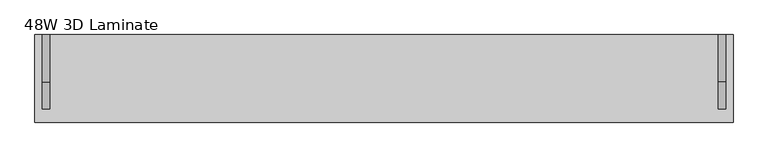
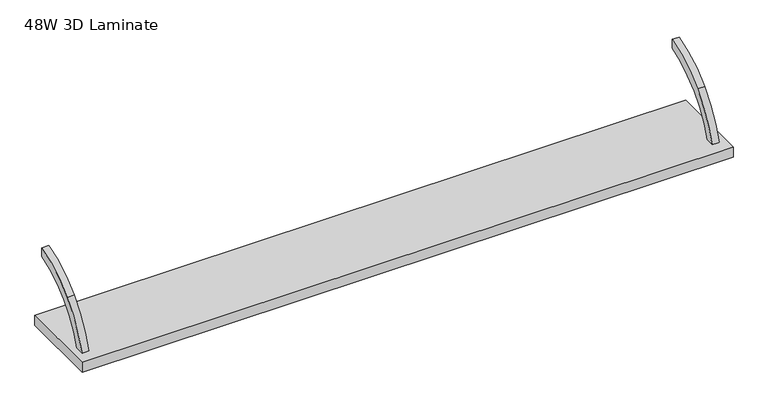
"""IFC4 building model written with IfcOpenShell, lengths in millimetres: furniture geometry, 48W 3D Laminate."""

from ifc_helpers import new_model, si_unit, point, frame, frame_2d, origin, place, context, project, spatial, polyline, circle_curve, trimmed, segment, composite_curve, outline, extrude, source, transform, mapped, element, save


def furniture_48w_3d_laminate_5c4585dd(model_context):
    return source(origin(), model_context, "Body", "SweptSolid", [
        extrude(outline(composite_curve([segment(polyline([(-21.75256, 952.5284219), (-21.75256, 935.9425934)]), True, "CONTINUOUS"), segment(trimmed(circle_curve(frame_2d((31.2350706, 766.6677638)), 177.3743412), [point((-21.75256, 935.9425934))], [point((-91.5649658, 894.659201))], True, "CARTESIAN"), True, "CONTINUOUS"), segment(trimmed(circle_curve(frame_2d((14.1297346, 784.496232)), 152.6671197), [point((-91.5649658, 894.659201))], [point((-132.8646554, 825.72606))], True, "CARTESIAN"), True, "CONTINUOUS"), segment(polyline([(-132.8646554, 825.72606), (-149.4341867, 825.72606)]), True, "CONTINUOUS"), segment(trimmed(circle_curve(frame_2d((41.312225, 768.914927)), 199.0268786), [point((-149.4341867, 825.72606))], [point((-102.9422911, 906.0365263))], False, "CARTESIAN"), True, "CONTINUOUS"), segment(trimmed(circle_curve(frame_2d((15.3556483, 793.5880354)), 163.2147835), [point((-102.9422911, 906.0365263))], [point((-21.75256, 952.5284219))], False, "CARTESIAN"), True, "CONTINUOUS")], self_intersect=False)), frame((590.2663384, 0.0, 0.0), z_axis=(1.0, 0.0, 0.0), x_axis=(0.0, 1.0, 0.0)), (0.0, 0.0, 1.0), 12.7),
        extrude(outline(composite_curve([segment(trimmed(circle_curve(frame_2d((15.3556483, 793.5880354)), 163.2147835), [point((-102.9422911, 906.0365263))], [point((-21.75256, 952.5284219))], False, "CARTESIAN"), True, "CONTINUOUS"), segment(polyline([(-21.75256, 952.5284219), (-21.75256, 935.9425934)]), True, "CONTINUOUS"), segment(trimmed(circle_curve(frame_2d((31.2350706, 766.6677638)), 177.3743412), [point((-21.75256, 935.9425934))], [point((-91.5649658, 894.659201))], True, "CARTESIAN"), True, "CONTINUOUS"), segment(trimmed(circle_curve(frame_2d((14.1297346, 784.496232)), 152.6671197), [point((-91.5649658, 894.659201))], [point((-132.8646554, 825.72606))], True, "CARTESIAN"), True, "CONTINUOUS"), segment(polyline([(-132.8646554, 825.72606), (-149.4341867, 825.72606)]), True, "CONTINUOUS"), segment(trimmed(circle_curve(frame_2d((41.312225, 768.914927)), 199.0268786), [point((-149.4341867, 825.72606))], [point((-102.9422911, 906.0365263))], False, "CARTESIAN"), True, "CONTINUOUS")], self_intersect=False)), frame((-565.4909286, 0.0, 0.0), z_axis=(1.0, 0.0, 0.0), x_axis=(0.0, 1.0, 0.0)), (0.0, 0.0, 1.0), 12.7),
        extrude(outline(polyline([(615.6377049, -21.75256), (615.6377049, -171.5728725), (-578.1622951, -171.5728725), (-578.1622951, -21.75256), (615.6377049, -21.75256)])), frame((0.0, 0.0, 806.6768594), z_axis=(0.0, 0.0, 1.0), x_axis=(1.0, 0.0, 0.0)), (0.0, 0.0, 1.0), 19.0492006),
    ])


if __name__ == "__main__":
    model = new_model("IFC4")
    model_context = context("Model", 3, world=origin())
    ifc_project = project(units=[si_unit("LENGTHUNIT", "METRE", prefix="MILLI")], contexts=[model_context])
    site = spatial("IfcSite", under=ifc_project)
    building = spatial("IfcBuilding", under=site)
    placement = place(None, origin())
    furniture_48w_3d_laminate_shape = furniture_48w_3d_laminate_5c4585dd(model_context)
    element("IfcFurniture", 1, ObjectType="48W 3D Laminate", at=placement, inside=building, context=model_context, shape_type="MappedRepresentation", body=[
        mapped(furniture_48w_3d_laminate_shape, transform((0.0, 0.0, 0.0), x_axis=(1.0, 0.0, 0.0), y_axis=(0.0, 1.0, 0.0), z_axis=(0.0, 0.0, 1.0))),
    ])
    save(model, "model.ifc")
